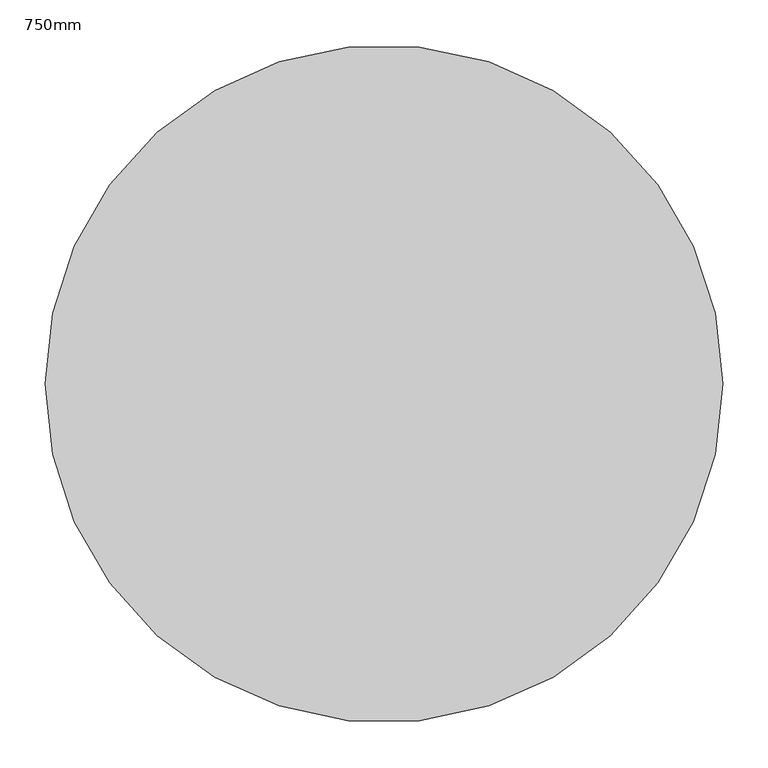
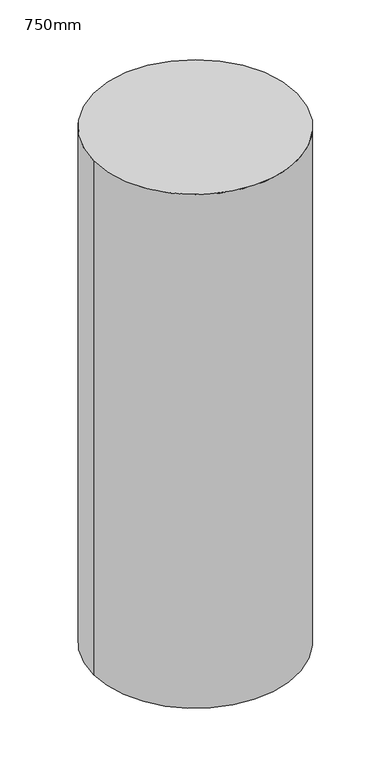
"""IFC4 building model written with IfcOpenShell, lengths in millimetres: column geometry, 750mm."""

from ifc_helpers import new_model, si_unit, point, origin, origin_with_axes, origin_2d, place, context, project, spatial, circle_curve, trimmed, segment, composite_curve, outline, extrude, source, transform, mapped, element, save


def column_750mm_6959717a(model_context):
    return source(origin(), model_context, "Body", "SweptSolid", [
        extrude(outline(composite_curve([segment(trimmed(circle_curve(origin_2d(), 375.0), [point((-375.0, 0.0))], [point((375.0, 0.0))], False, "CARTESIAN"), True, "CONTINUOUS"), segment(trimmed(circle_curve(origin_2d(), 375.0), [point((375.0, 0.0))], [point((-375.0, 0.0))], False, "CARTESIAN"), True, "CONTINUOUS")], self_intersect=False)), origin_with_axes(), (0.0, 0.0, 1.0), 2000.0),
    ])


if __name__ == "__main__":
    model = new_model("IFC4")
    model_context = context("Model", 3, world=origin())
    ifc_project = project(units=[si_unit("LENGTHUNIT", "METRE", prefix="MILLI")], contexts=[model_context])
    site = spatial("IfcSite", under=ifc_project)
    building = spatial("IfcBuilding", under=site)
    placement = place(None, origin())
    column_750mm_shape = column_750mm_6959717a(model_context)
    element("IfcColumn", 1, ObjectType="750mm", at=placement, inside=building, context=model_context, shape_type="MappedRepresentation", body=[
        mapped(column_750mm_shape, transform((0.0, 0.0, 0.0), x_axis=(1.0, 0.0, 0.0), y_axis=(0.0, 1.0, 0.0), z_axis=(0.0, 0.0, 1.0))),
    ])
    save(model, "model.ifc")
